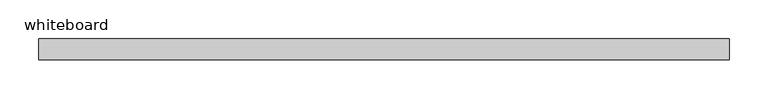
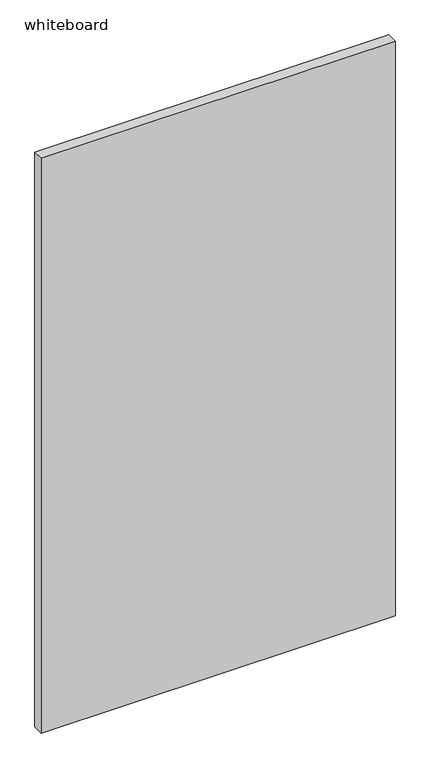
"""IFC4 building model written with IfcOpenShell, lengths in millimetres: proxy geometry, whiteboard."""

from ifc_helpers import new_model, si_unit, frame, origin, place, context, project, spatial, polyline, outline, extrude, source, transform, mapped, element, save


def whiteboard_b2b8acfb(model_context):
    return source(origin(), model_context, "Body", "SweptSolid", [
        extrude(outline(polyline([(444.5, 58.7375), (-444.5, 58.7375), (-444.5, 85.725), (444.5, 85.725), (444.5, 58.7375)])), frame((0.0, 0.0, 609.6), z_axis=(0.0, 0.0, 1.0), x_axis=(1.0, 0.0, 0.0)), (0.0, 0.0, 1.0), 1524.0),
    ])


if __name__ == "__main__":
    model = new_model("IFC4")
    model_context = context("Model", 3, world=origin())
    ifc_project = project(units=[si_unit("LENGTHUNIT", "METRE", prefix="MILLI")], contexts=[model_context])
    site = spatial("IfcSite", under=ifc_project)
    building = spatial("IfcBuilding", under=site)
    placement = place(None, origin())
    whiteboard_shape = whiteboard_b2b8acfb(model_context)
    element("IfcBuildingElementProxy", 1, Name="whiteboard", ObjectType="whiteboard", at=placement, inside=building, context=model_context, shape_type="MappedRepresentation", body=[
        mapped(whiteboard_shape, transform((0.0, 0.0, 0.0), x_axis=(1.0, 0.0, 0.0), y_axis=(0.0, 1.0, 0.0), z_axis=(0.0, 0.0, 1.0))),
    ])
    save(model, "model.ifc")
